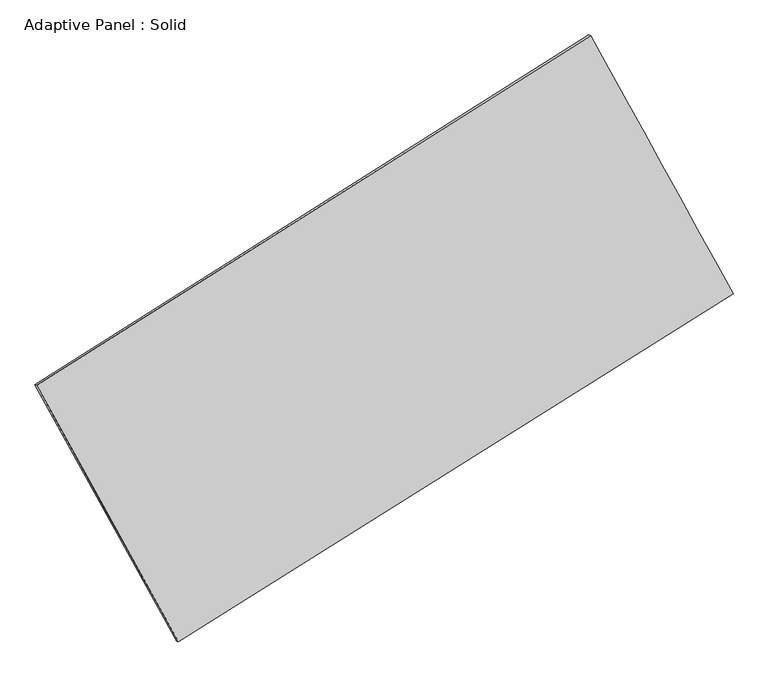
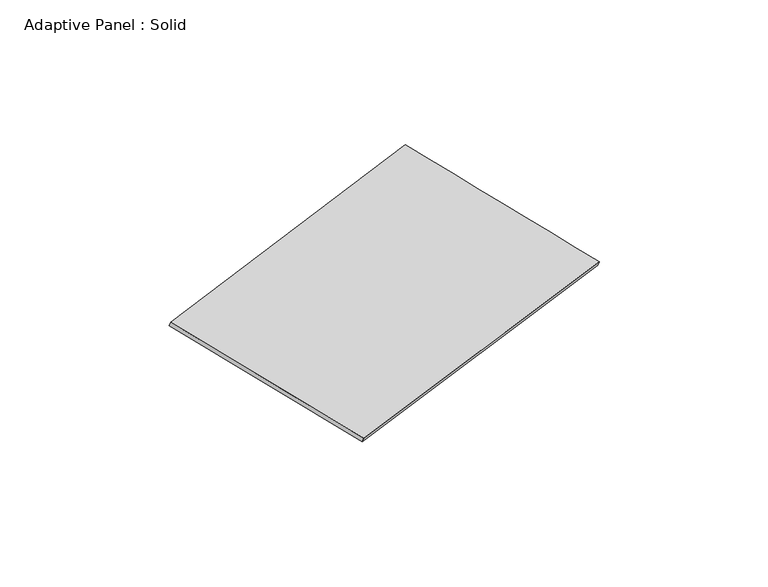
"""IFC4 building model written with IfcOpenShell, lengths in millimetres: plate geometry, Adaptive Panel : Solid."""

from ifc_helpers import new_model, si_unit, frame, origin, place, context, project, spatial, source, transform, mapped, element, save
from ifc_brep_helpers import plane_surface, spline_surface, advanced_brep


def adaptive_panel_solid_94cf1660(model_context):
    return source(origin(), model_context, "Body", "AdvancedBrep", [
        advanced_brep(
        [(1165.7596384, 2577.0708113, 671.1055273), (-3721.8362511, -508.9332618, 1765.2942808), (-3707.1698952, -515.3133553, 1812.6671888), (1180.4259942, 2570.6907178, 718.4784353), (-2470.353516, -2770.277902, 1076.6634418), (-2455.6871602, -2776.6579955, 1124.0363498), (2423.1395505, 301.8917797, -27.9407297), (2437.8059063, 295.5116863, 19.4321784)],
        [
            (0, 1),
            (1, 2),
            (2, 3),
            (3, 0),
            (1, 4),
            (4, 5),
            (5, 2),
            (4, 6),
            (6, 7),
            (7, 5),
            (6, 0),
            (3, 7),
        ],
        [
            plane_surface(frame((-1278.0383063, 1034.0687747, 1218.199904), z_axis=(-0.47327158343828524, 0.841709840233977, 0.25988180614100626), x_axis=(-0.8308050173374564, -0.5245662132161933, 0.18599277168463368))),
            plane_surface(frame((-3096.0948835, -1639.6055819, 1420.9788613), z_axis=(-0.8338837954270986, -0.518830062148555, 0.18829015464177523), x_axis=(0.4678938399704118, -0.8454525160745768, -0.25745950668194434))),
            plane_surface(frame((-23.6069827, -1234.1930611, 524.3613561), z_axis=(0.47084900360686716, -0.8432350963588126, -0.2593372091913633), x_axis=(0.8318628669441143, 0.5222494125270264, -0.18777572184575647))),
            plane_surface(frame((1794.4495945, 1439.4812955, 321.5823988), z_axis=(0.8339357259902334, 0.5187361612110813, -0.18831887841938152), x_axis=(-0.4671045205421699, 0.8452070853607309, 0.2596889480611142))),
            spline_surface(1, 1, [[(-3707.1698952, -515.3133553, 1812.6671888), (1180.4259942, 2570.6907178, 718.4784353)], [(-2455.6871602, -2776.6579955, 1124.0363498), (2437.8059063, 295.5116863, 19.4321784)]], [2, 2], [2, 2], [0.0, 1.0], [0.0, 1.0]),
            spline_surface(1, 1, [[(2423.1395505, 301.8917797, -27.9407297), (1165.7596384, 2577.0708113, 671.1055273)], [(-2470.353516, -2770.277902, 1076.6634418), (-3721.8362511, -508.9332618, 1765.2942808)]], [2, 2], [2, 2], [0.0, 1.0], [0.0, 1.0]),
        ],
        [
            (0, [[1, 2, 3, 4]]),
            (1, [[5, 6, 7, -2]]),
            (2, [[8, 9, 10, -6]]),
            (3, [[11, -4, 12, -9]]),
            (4, [[-3, -7, -10, -12]]),
            (5, [[-11, -8, -5, -1]]),
        ],
    ),
    ])


if __name__ == "__main__":
    model = new_model("IFC4")
    model_context = context("Model", 3, world=origin())
    ifc_project = project(units=[si_unit("LENGTHUNIT", "METRE", prefix="MILLI")], contexts=[model_context])
    site = spatial("IfcSite", under=ifc_project)
    building = spatial("IfcBuilding", under=site)
    placement = place(None, origin())
    adaptive_panel_solid_shape = adaptive_panel_solid_94cf1660(model_context)
    element("IfcPlate", 1, ObjectType="Adaptive Panel : Solid", at=placement, inside=building, context=model_context, shape_type="MappedRepresentation", body=[
        mapped(adaptive_panel_solid_shape, transform((0.0, 0.0, 0.0), x_axis=(1.0, 0.0, 0.0), y_axis=(0.0, 1.0, 0.0), z_axis=(0.0, 0.0, 1.0))),
    ])
    save(model, "model.ifc")
